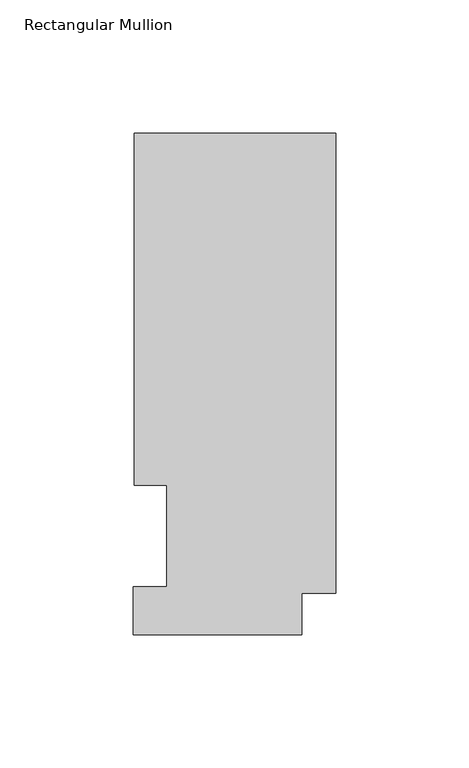
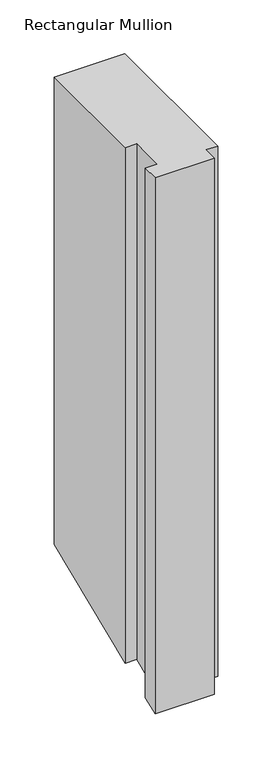
"""IFC4 building model written with IfcOpenShell, lengths in millimetres: member geometry, Rectangular Mullion."""

from ifc_helpers import new_model, si_unit, origin, place, context, project, spatial, faceted_brep, source, transform, mapped, element, save


def rectangular_mullion_57be7e0c(model_context):
    return source(origin(), model_context, "Body", "Brep", [
        faceted_brep([(-12.7, 0.5199063, 0.0), (-12.7, 16.1663063, 0.0), (0.0, 16.1663063, 0.0), (0.0, 189.0895063, 0.0), (-75.7936, 189.0895063, 0.0), (-75.7936, 56.6539062, 0.0), (-63.5, 56.6539062, 0.0), (-63.5, 18.5539062, 0.0), (-76.2, 18.5539063, 0.0), (-76.2, 0.5199063, 0.0), (-12.7, 0.5199063, -609.3846478), (-12.7, 16.1663063, -602.9036967), (0.0, 16.1663063, -602.9036967), (0.0, 189.0895063, -531.276562), (-75.7936, 189.0895063, -531.276562), (-75.7936, 56.6539063, -586.1331837), (-63.5, 56.6539062, -586.1331837), (-63.5, 18.5539062, -601.9147204), (-76.2, 18.5539063, -601.9147204), (-76.2, 0.5199063, -609.3846478)], [[[0, 1, 2, 3, 4, 5, 6, 7, 8, 9]], [[1, 0, 10, 11]], [[2, 1, 11, 12]], [[3, 2, 12, 13]], [[4, 3, 13, 14]], [[5, 4, 14, 15]], [[6, 5, 15, 16]], [[7, 6, 16, 17]], [[8, 7, 17, 18]], [[9, 8, 18, 19]], [[0, 9, 19, 10]], [[10, 19, 18, 17, 16, 15, 14, 13, 12, 11]]]),
    ])


if __name__ == "__main__":
    model = new_model("IFC4")
    model_context = context("Model", 3, world=origin())
    ifc_project = project(units=[si_unit("LENGTHUNIT", "METRE", prefix="MILLI")], contexts=[model_context])
    site = spatial("IfcSite", under=ifc_project)
    building = spatial("IfcBuilding", under=site)
    placement = place(None, origin())
    rectangular_mullion_shape = rectangular_mullion_57be7e0c(model_context)
    element("IfcMember", 1, ObjectType="Rectangular Mullion", at=placement, inside=building, context=model_context, shape_type="MappedRepresentation", body=[
        mapped(rectangular_mullion_shape, transform((0.0, 0.0, 0.0), x_axis=(1.0, 0.0, 0.0), y_axis=(0.0, 1.0, 0.0), z_axis=(0.0, 0.0, 1.0))),
    ])
    save(model, "model.ifc")
